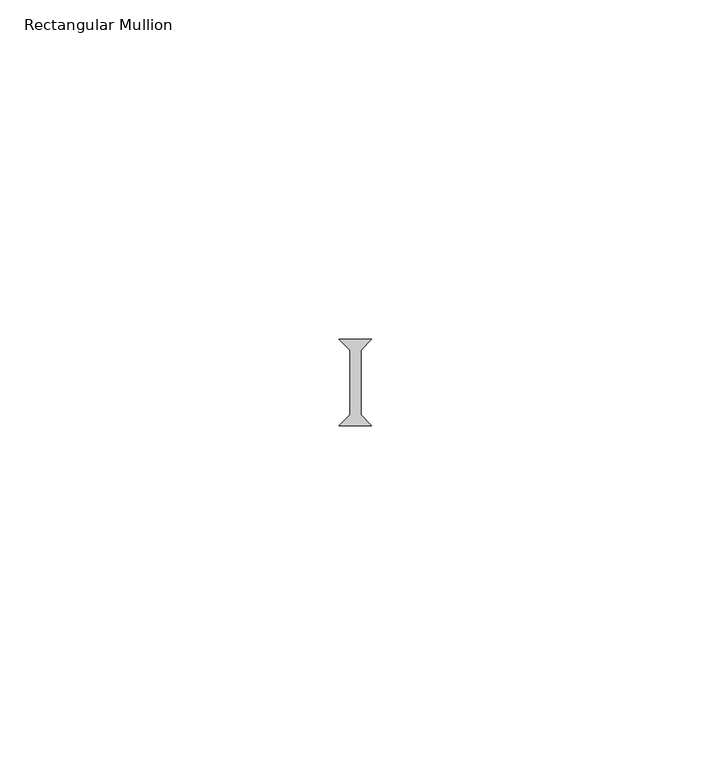
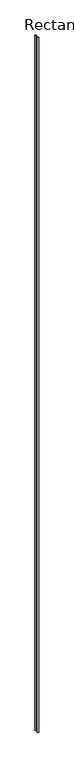
"""IFC4 building model written with IfcOpenShell, lengths in millimetres: member geometry, Rectangular Mullion."""

from ifc_helpers import new_model, si_unit, frame, origin, place, context, project, spatial, polyline, outline, extrude, source, transform, mapped, element, save


def rectangular_mullion_8dfaa413(model_context):
    return source(origin(), model_context, "Body", "SweptSolid", [
        extrude(outline(polyline([(-2.38125, 6.35), (2.38125, 6.35), (0.79375, 4.7625), (0.79375, -4.7625), (2.38125, -6.35), (-2.38125, -6.35), (-0.79375, -4.7625), (-0.79375, 4.7625), (-2.38125, 6.35)])), frame((0.0, 0.0, -2359.025), z_axis=(0.0, 0.0, 1.0), x_axis=(1.0, 0.0, 0.0)), (0.0, 0.0, 1.0), 2359.025),
    ])


if __name__ == "__main__":
    model = new_model("IFC4")
    model_context = context("Model", 3, world=origin())
    ifc_project = project(units=[si_unit("LENGTHUNIT", "METRE", prefix="MILLI")], contexts=[model_context])
    site = spatial("IfcSite", under=ifc_project)
    building = spatial("IfcBuilding", under=site)
    placement = place(None, origin())
    rectangular_mullion_shape = rectangular_mullion_8dfaa413(model_context)
    element("IfcMember", 1, ObjectType="Rectangular Mullion", at=placement, inside=building, context=model_context, shape_type="MappedRepresentation", body=[
        mapped(rectangular_mullion_shape, transform((0.0, 0.0, 0.0), x_axis=(1.0, 0.0, 0.0), y_axis=(0.0, 1.0, 0.0), z_axis=(0.0, 0.0, 1.0))),
    ])
    save(model, "model.ifc")
